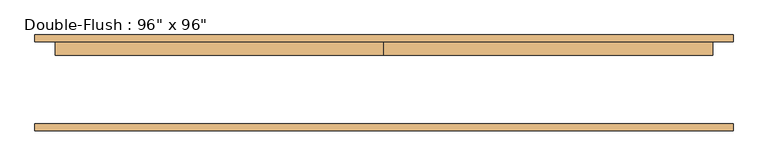
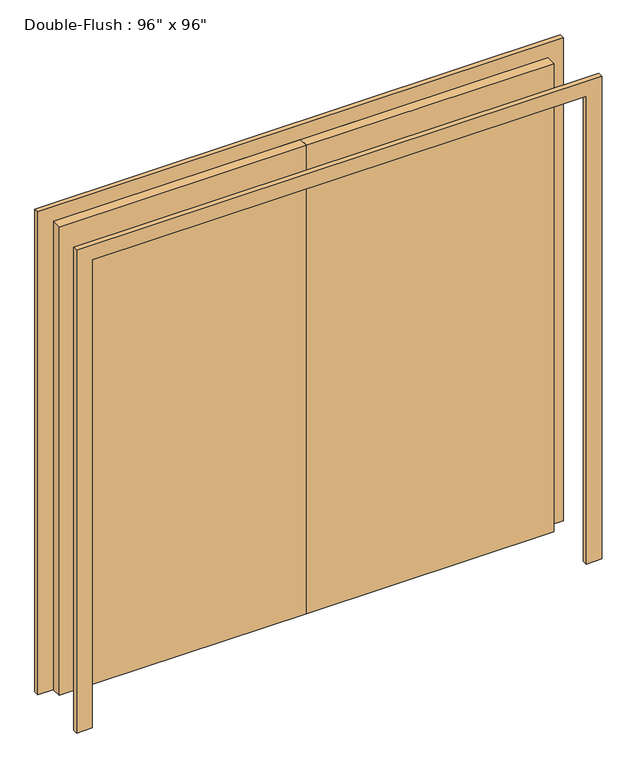
"""IFC4 building model written with IfcOpenShell, lengths in millimetres: door geometry."""

from ifc_helpers import new_model, si_unit, frame, origin, origin_with_axes, place, context, project, spatial, polyline, outline, extrude, source, transform, mapped, element, save


def door_656b4b26(model_context):
    return source(origin(), model_context, "Body", "SweptSolid", [
        extrude(outline(polyline([(0.0, 152.4), (1219.2, 152.4), (1219.2, 101.6), (0.0, 101.6), (0.0, 152.4)])), origin_with_axes(), (0.0, 0.0, 1.0), 2438.4),
        extrude(outline(polyline([(-1219.2, 152.4), (0.0, 152.4), (0.0, 101.6), (-1219.2, 101.6), (-1219.2, 152.4)])), origin_with_axes(), (0.0, 0.0, 1.0), 2438.4),
        extrude(outline(polyline([(2438.4, -1219.2), (2438.4, 1219.2), (0.0, 1219.2), (0.0, 1295.4), (2514.6, 1295.4), (2514.6, -1295.4), (0.0, -1295.4), (0.0, -1219.2), (2438.4, -1219.2)])), frame((0.0, -177.8, 0.0), z_axis=(0.0, 1.0, 0.0), x_axis=(0.0, 0.0, 1.0)), (0.0, 0.0, 1.0), 25.4),
        extrude(outline(polyline([(2438.4, -1219.2), (2438.4, 1219.2), (0.0, 1219.2), (0.0, 1295.4), (2514.6, 1295.4), (2514.6, -1295.4), (0.0, -1295.4), (0.0, -1219.2), (2438.4, -1219.2)])), frame((0.0, 152.4, 0.0), z_axis=(0.0, 1.0, 0.0), x_axis=(0.0, 0.0, 1.0)), (0.0, 0.0, 1.0), 25.4),
    ])


if __name__ == "__main__":
    model = new_model("IFC4")
    model_context = context("Model", 3, world=origin())
    ifc_project = project(units=[si_unit("LENGTHUNIT", "METRE", prefix="MILLI")], contexts=[model_context])
    site = spatial("IfcSite", under=ifc_project)
    building = spatial("IfcBuilding", under=site)
    placement = place(None, origin())
    door_shape = door_656b4b26(model_context)
    element("IfcDoor", 1, ObjectType="Double-Flush : 96\" x 96\"", at=placement, inside=building, context=model_context, shape_type="MappedRepresentation", body=[
        mapped(door_shape, transform((0.0, 0.0, 0.0), x_axis=(1.0, 0.0, 0.0), y_axis=(0.0, 1.0, 0.0), z_axis=(0.0, 0.0, 1.0))),
    ])
    save(model, "model.ifc")
